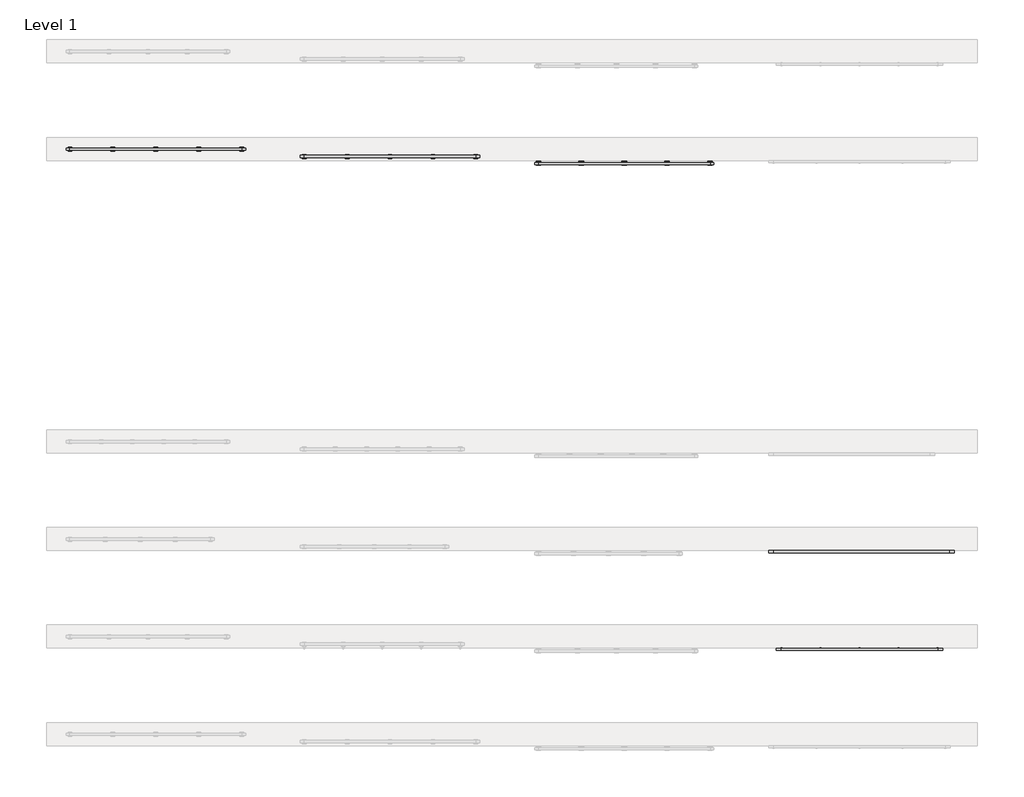
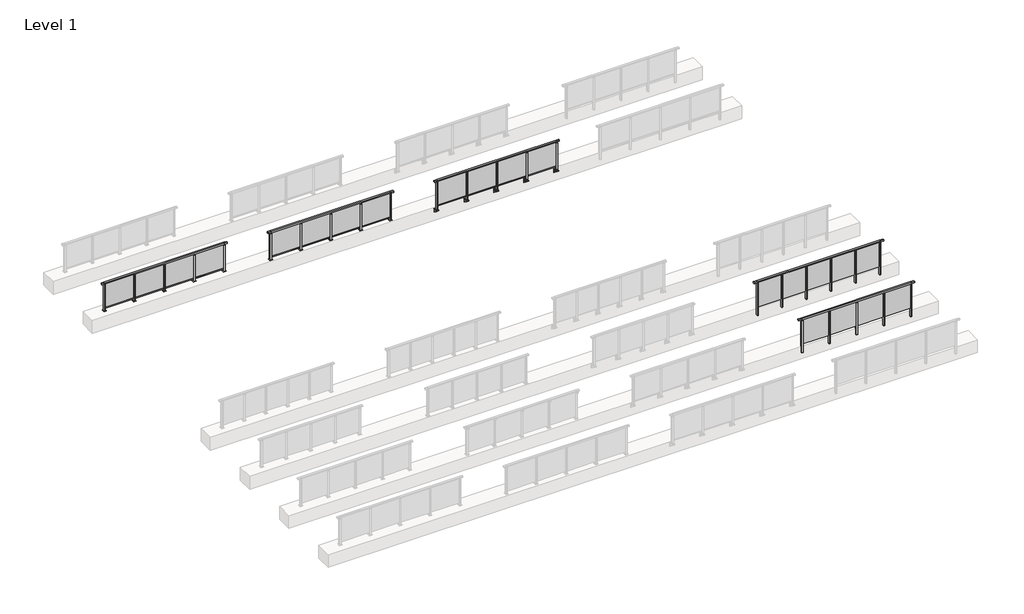
# One storey, part 21 of 37: 5 railings.
"""IFC4 building model written with IfcOpenShell, lengths in millimetres."""

from ifc_helpers import new_model, si_unit, point, frame, frame_2d, origin, origin_with_axes, place, context, project, spatial, polyline, circle_curve, trimmed, segment, composite_curve, outline, extrude, faceted_brep, element, save

model = new_model("IFC4")

# Units and contexts
model_context = context("Model", 3, world=origin())
ifc_project = project(units=[si_unit("LENGTHUNIT", "METRE", prefix="MILLI")], contexts=[model_context])

# Site, building, storey
site = spatial("IfcSite", under=ifc_project)
building = spatial("IfcBuilding", under=site)
storey = spatial("IfcBuildingStorey", under=building, Name="Level 1", Elevation=0.0)

# Railings
placement = place(None, origin())
element("IfcRailing", 1, at=placement, inside=storey, context=model_context, shape_type="SolidModel", body=[
    faceted_brep([(48227.0, 17397.6846828, 1055.0), (48227.0, 17397.6846828, 1100.0), (52227.0, 17397.6846828, 1100.0), (52227.0, 17397.6846828, 1055.0), (48227.0, 17337.6846828, 1055.0), (52227.0, 17337.6846828, 1055.0), (48227.0, 17337.6846828, 1100.0), (52227.0, 17337.6846828, 1100.0), (48099.5, 17397.6846828, 1100.0), (48099.5, 17397.6846828, 1055.0), (48099.5, 17337.6846828, 1055.0), (48099.5, 17337.6846828, 1100.0), (52354.5, 17397.6846828, 1100.0), (52354.5, 17337.6846828, 1100.0), (52354.5, 17337.6846828, 1055.0), (52354.5, 17397.6846828, 1055.0)], [[[0, 1, 2, 3]], [[4, 0, 3, 5]], [[6, 4, 5, 7]], [[1, 6, 7, 2]], [[8, 9, 10, 11]], [[9, 8, 1, 0]], [[10, 9, 0, 4]], [[11, 10, 4, 6]], [[8, 11, 6, 1]], [[12, 13, 14, 15]], [[3, 2, 12, 15]], [[5, 3, 15, 14]], [[7, 5, 14, 13]], [[2, 7, 13, 12]]]),
    extrude(outline(polyline([(51237.0, 17361.9094929), (51237.0, 17371.9094929), (52217.0, 17371.9094929), (52217.0, 17361.9094929), (51237.0, 17361.9094929)])), frame((0.0, 0.0, 95.0), z_axis=(0.0, 0.0, 1.0), x_axis=(1.0, 0.0, 0.0)), (0.0, 0.0, 1.0), 960.0),
    extrude(outline(polyline([(51249.5, 17400.1846828), (51249.5, 17335.1846828), (51204.5, 17335.1846828), (51204.5, 17400.1846828), (51249.5, 17400.1846828)])), frame((0.0, 0.0, 1027.0), z_axis=(0.0, 0.0, 1.0), x_axis=(1.0, 0.0, 0.0)), (0.0, 0.0, 1.0), 8.0),
    extrude(outline(polyline([(51249.5, 17400.1846828), (51249.5, 17335.1846828), (51204.5, 17335.1846828), (51204.5, 17400.1846828), (51249.5, 17400.1846828)])), frame((0.0, 0.0, -212.0), z_axis=(0.0, 0.0, 1.0), x_axis=(1.0, 0.0, 0.0)), (0.0, 0.0, 1.0), 1239.0),
    extrude(outline(polyline([(51237.0, 17377.6846828), (51237.0, 17357.6846828), (51217.0, 17357.6846828), (51217.0, 17377.6846828), (51237.0, 17377.6846828)])), frame((0.0, 0.0, 1035.0), z_axis=(0.0, 0.0, 1.0), x_axis=(1.0, 0.0, 0.0)), (0.0, 0.0, 1.0), 20.0),
    extrude(outline(polyline([(51249.5, 17400.1846828), (51249.5, 17335.1846828), (51204.5, 17335.1846828), (51204.5, 17400.1846828), (51249.5, 17400.1846828)])), frame((0.0, 0.0, -220.0), z_axis=(0.0, 0.0, 1.0), x_axis=(1.0, 0.0, 0.0)), (0.0, 0.0, 1.0), 8.0),
    extrude(outline(polyline([(50237.0, 17361.9094929), (50237.0, 17371.9094929), (51217.0, 17371.9094929), (51217.0, 17361.9094929), (50237.0, 17361.9094929)])), frame((0.0, 0.0, 95.0), z_axis=(0.0, 0.0, 1.0), x_axis=(1.0, 0.0, 0.0)), (0.0, 0.0, 1.0), 960.0),
    extrude(outline(polyline([(50249.5, 17400.1846828), (50249.5, 17335.1846828), (50204.5, 17335.1846828), (50204.5, 17400.1846828), (50249.5, 17400.1846828)])), frame((0.0, 0.0, 1027.0), z_axis=(0.0, 0.0, 1.0), x_axis=(1.0, 0.0, 0.0)), (0.0, 0.0, 1.0), 8.0),
    extrude(outline(polyline([(50249.5, 17400.1846828), (50249.5, 17335.1846828), (50204.5, 17335.1846828), (50204.5, 17400.1846828), (50249.5, 17400.1846828)])), frame((0.0, 0.0, -212.0), z_axis=(0.0, 0.0, 1.0), x_axis=(1.0, 0.0, 0.0)), (0.0, 0.0, 1.0), 1239.0),
    extrude(outline(polyline([(50237.0, 17377.6846828), (50237.0, 17357.6846828), (50217.0, 17357.6846828), (50217.0, 17377.6846828), (50237.0, 17377.6846828)])), frame((0.0, 0.0, 1035.0), z_axis=(0.0, 0.0, 1.0), x_axis=(1.0, 0.0, 0.0)), (0.0, 0.0, 1.0), 20.0),
    extrude(outline(polyline([(50249.5, 17400.1846828), (50249.5, 17335.1846828), (50204.5, 17335.1846828), (50204.5, 17400.1846828), (50249.5, 17400.1846828)])), frame((0.0, 0.0, -220.0), z_axis=(0.0, 0.0, 1.0), x_axis=(1.0, 0.0, 0.0)), (0.0, 0.0, 1.0), 8.0),
    extrude(outline(polyline([(49237.0, 17361.9094929), (49237.0, 17371.9094929), (50217.0, 17371.9094929), (50217.0, 17361.9094929), (49237.0, 17361.9094929)])), frame((0.0, 0.0, 95.0), z_axis=(0.0, 0.0, 1.0), x_axis=(1.0, 0.0, 0.0)), (0.0, 0.0, 1.0), 960.0),
    extrude(outline(polyline([(49249.5, 17400.1846828), (49249.5, 17335.1846828), (49204.5, 17335.1846828), (49204.5, 17400.1846828), (49249.5, 17400.1846828)])), frame((0.0, 0.0, 1027.0), z_axis=(0.0, 0.0, 1.0), x_axis=(1.0, 0.0, 0.0)), (0.0, 0.0, 1.0), 8.0),
    extrude(outline(polyline([(49249.5, 17400.1846828), (49249.5, 17335.1846828), (49204.5, 17335.1846828), (49204.5, 17400.1846828), (49249.5, 17400.1846828)])), frame((0.0, 0.0, -212.0), z_axis=(0.0, 0.0, 1.0), x_axis=(1.0, 0.0, 0.0)), (0.0, 0.0, 1.0), 1239.0),
    extrude(outline(polyline([(49237.0, 17377.6846828), (49237.0, 17357.6846828), (49217.0, 17357.6846828), (49217.0, 17377.6846828), (49237.0, 17377.6846828)])), frame((0.0, 0.0, 1035.0), z_axis=(0.0, 0.0, 1.0), x_axis=(1.0, 0.0, 0.0)), (0.0, 0.0, 1.0), 20.0),
    extrude(outline(polyline([(49249.5, 17400.1846828), (49249.5, 17335.1846828), (49204.5, 17335.1846828), (49204.5, 17400.1846828), (49249.5, 17400.1846828)])), frame((0.0, 0.0, -220.0), z_axis=(0.0, 0.0, 1.0), x_axis=(1.0, 0.0, 0.0)), (0.0, 0.0, 1.0), 8.0),
    extrude(outline(polyline([(48237.0, 17361.9094929), (48237.0, 17371.9094929), (49217.0, 17371.9094929), (49217.0, 17361.9094929), (48237.0, 17361.9094929)])), frame((0.0, 0.0, 95.0), z_axis=(0.0, 0.0, 1.0), x_axis=(1.0, 0.0, 0.0)), (0.0, 0.0, 1.0), 960.0),
    extrude(outline(polyline([(52249.5, 17400.1846828), (52249.5, 17335.1846828), (52204.5, 17335.1846828), (52204.5, 17400.1846828), (52249.5, 17400.1846828)])), frame((0.0, 0.0, 1027.0), z_axis=(0.0, 0.0, 1.0), x_axis=(1.0, 0.0, 0.0)), (0.0, 0.0, 1.0), 8.0),
    extrude(outline(polyline([(52249.5, 17400.1846828), (52249.5, 17335.1846828), (52204.5, 17335.1846828), (52204.5, 17400.1846828), (52249.5, 17400.1846828)])), frame((0.0, 0.0, -212.0), z_axis=(0.0, 0.0, 1.0), x_axis=(1.0, 0.0, 0.0)), (0.0, 0.0, 1.0), 1239.0),
    extrude(outline(polyline([(52237.0, 17377.6846828), (52237.0, 17357.6846828), (52217.0, 17357.6846828), (52217.0, 17377.6846828), (52237.0, 17377.6846828)])), frame((0.0, 0.0, 1035.0), z_axis=(0.0, 0.0, 1.0), x_axis=(1.0, 0.0, 0.0)), (0.0, 0.0, 1.0), 20.0),
    extrude(outline(polyline([(52249.5, 17400.1846828), (52249.5, 17335.1846828), (52204.5, 17335.1846828), (52204.5, 17400.1846828), (52249.5, 17400.1846828)])), frame((0.0, 0.0, -220.0), z_axis=(0.0, 0.0, 1.0), x_axis=(1.0, 0.0, 0.0)), (0.0, 0.0, 1.0), 8.0),
    extrude(outline(polyline([(48249.5, 17400.1846828), (48249.5, 17335.1846828), (48204.5, 17335.1846828), (48204.5, 17400.1846828), (48249.5, 17400.1846828)])), frame((0.0, 0.0, 1027.0), z_axis=(0.0, 0.0, 1.0), x_axis=(1.0, 0.0, 0.0)), (0.0, 0.0, 1.0), 8.0),
    extrude(outline(polyline([(48249.5, 17400.1846828), (48249.5, 17335.1846828), (48204.5, 17335.1846828), (48204.5, 17400.1846828), (48249.5, 17400.1846828)])), frame((0.0, 0.0, -212.0), z_axis=(0.0, 0.0, 1.0), x_axis=(1.0, 0.0, 0.0)), (0.0, 0.0, 1.0), 1239.0),
    extrude(outline(polyline([(48237.0, 17377.6846828), (48237.0, 17357.6846828), (48217.0, 17357.6846828), (48217.0, 17377.6846828), (48237.0, 17377.6846828)])), frame((0.0, 0.0, 1035.0), z_axis=(0.0, 0.0, 1.0), x_axis=(1.0, 0.0, 0.0)), (0.0, 0.0, 1.0), 20.0),
    extrude(outline(polyline([(48249.5, 17400.1846828), (48249.5, 17335.1846828), (48204.5, 17335.1846828), (48204.5, 17400.1846828), (48249.5, 17400.1846828)])), frame((0.0, 0.0, -220.0), z_axis=(0.0, 0.0, 1.0), x_axis=(1.0, 0.0, 0.0)), (0.0, 0.0, 1.0), 8.0),
])
element("IfcRailing", 2, at=placement, inside=storey, context=model_context, shape_type="SolidModel", body=[
    faceted_brep([(48027.0, 19897.6846828, 1055.0), (48027.0, 19897.6846828, 1100.0), (52527.0, 19897.6846828, 1100.0), (52527.0, 19897.6846828, 1055.0), (48027.0, 19837.6846828, 1055.0), (52527.0, 19837.6846828, 1055.0), (48027.0, 19837.6846828, 1100.0), (52527.0, 19837.6846828, 1100.0), (47899.5, 19897.6846828, 1100.0), (47899.5, 19897.6846828, 1055.0), (47899.5, 19837.6846828, 1055.0), (47899.5, 19837.6846828, 1100.0), (52654.5, 19897.6846828, 1100.0), (52654.5, 19837.6846828, 1100.0), (52654.5, 19837.6846828, 1055.0), (52654.5, 19897.6846828, 1055.0)], [[[0, 1, 2, 3]], [[4, 0, 3, 5]], [[6, 4, 5, 7]], [[1, 6, 7, 2]], [[8, 9, 10, 11]], [[9, 8, 1, 0]], [[10, 9, 0, 4]], [[11, 10, 4, 6]], [[8, 11, 6, 1]], [[12, 13, 14, 15]], [[3, 2, 12, 15]], [[5, 3, 15, 14]], [[7, 5, 14, 13]], [[2, 7, 13, 12]]]),
    extrude(outline(polyline([(51637.0, 19861.9094929), (51637.0, 19871.9094929), (52517.0, 19871.9094929), (52517.0, 19861.9094929), (51637.0, 19861.9094929)])), frame((0.0, 0.0, 95.0), z_axis=(0.0, 0.0, 1.0), x_axis=(1.0, 0.0, 0.0)), (0.0, 0.0, 1.0), 960.0),
    extrude(outline(polyline([(51649.5, 19900.1846828), (51649.5, 19835.1846828), (51604.5, 19835.1846828), (51604.5, 19900.1846828), (51649.5, 19900.1846828)])), frame((0.0, 0.0, 1027.0), z_axis=(0.0, 0.0, 1.0), x_axis=(1.0, 0.0, 0.0)), (0.0, 0.0, 1.0), 8.0),
    extrude(outline(polyline([(51649.5, 19900.1846828), (51649.5, 19835.1846828), (51604.5, 19835.1846828), (51604.5, 19900.1846828), (51649.5, 19900.1846828)])), frame((0.0, 0.0, -212.0), z_axis=(0.0, 0.0, 1.0), x_axis=(1.0, 0.0, 0.0)), (0.0, 0.0, 1.0), 1239.0),
    extrude(outline(polyline([(51637.0, 19877.6846828), (51637.0, 19857.6846828), (51617.0, 19857.6846828), (51617.0, 19877.6846828), (51637.0, 19877.6846828)])), frame((0.0, 0.0, 1035.0), z_axis=(0.0, 0.0, 1.0), x_axis=(1.0, 0.0, 0.0)), (0.0, 0.0, 1.0), 20.0),
    extrude(outline(polyline([(51649.5, 19900.1846828), (51649.5, 19835.1846828), (51604.5, 19835.1846828), (51604.5, 19900.1846828), (51649.5, 19900.1846828)])), frame((0.0, 0.0, -220.0), z_axis=(0.0, 0.0, 1.0), x_axis=(1.0, 0.0, 0.0)), (0.0, 0.0, 1.0), 8.0),
    extrude(outline(polyline([(50737.0, 19861.9094929), (50737.0, 19871.9094929), (51617.0, 19871.9094929), (51617.0, 19861.9094929), (50737.0, 19861.9094929)])), frame((0.0, 0.0, 95.0), z_axis=(0.0, 0.0, 1.0), x_axis=(1.0, 0.0, 0.0)), (0.0, 0.0, 1.0), 960.0),
    extrude(outline(polyline([(50749.5, 19900.1846828), (50749.5, 19835.1846828), (50704.5, 19835.1846828), (50704.5, 19900.1846828), (50749.5, 19900.1846828)])), frame((0.0, 0.0, 1027.0), z_axis=(0.0, 0.0, 1.0), x_axis=(1.0, 0.0, 0.0)), (0.0, 0.0, 1.0), 8.0),
    extrude(outline(polyline([(50749.5, 19900.1846828), (50749.5, 19835.1846828), (50704.5, 19835.1846828), (50704.5, 19900.1846828), (50749.5, 19900.1846828)])), frame((0.0, 0.0, -212.0), z_axis=(0.0, 0.0, 1.0), x_axis=(1.0, 0.0, 0.0)), (0.0, 0.0, 1.0), 1239.0),
    extrude(outline(polyline([(50737.0, 19877.6846828), (50737.0, 19857.6846828), (50717.0, 19857.6846828), (50717.0, 19877.6846828), (50737.0, 19877.6846828)])), frame((0.0, 0.0, 1035.0), z_axis=(0.0, 0.0, 1.0), x_axis=(1.0, 0.0, 0.0)), (0.0, 0.0, 1.0), 20.0),
    extrude(outline(polyline([(50749.5, 19900.1846828), (50749.5, 19835.1846828), (50704.5, 19835.1846828), (50704.5, 19900.1846828), (50749.5, 19900.1846828)])), frame((0.0, 0.0, -220.0), z_axis=(0.0, 0.0, 1.0), x_axis=(1.0, 0.0, 0.0)), (0.0, 0.0, 1.0), 8.0),
    extrude(outline(polyline([(49837.0, 19861.9094929), (49837.0, 19871.9094929), (50717.0, 19871.9094929), (50717.0, 19861.9094929), (49837.0, 19861.9094929)])), frame((0.0, 0.0, 95.0), z_axis=(0.0, 0.0, 1.0), x_axis=(1.0, 0.0, 0.0)), (0.0, 0.0, 1.0), 960.0),
    extrude(outline(polyline([(49849.5, 19900.1846828), (49849.5, 19835.1846828), (49804.5, 19835.1846828), (49804.5, 19900.1846828), (49849.5, 19900.1846828)])), frame((0.0, 0.0, 1027.0), z_axis=(0.0, 0.0, 1.0), x_axis=(1.0, 0.0, 0.0)), (0.0, 0.0, 1.0), 8.0),
    extrude(outline(polyline([(49849.5, 19900.1846828), (49849.5, 19835.1846828), (49804.5, 19835.1846828), (49804.5, 19900.1846828), (49849.5, 19900.1846828)])), frame((0.0, 0.0, -212.0), z_axis=(0.0, 0.0, 1.0), x_axis=(1.0, 0.0, 0.0)), (0.0, 0.0, 1.0), 1239.0),
    extrude(outline(polyline([(49837.0, 19877.6846828), (49837.0, 19857.6846828), (49817.0, 19857.6846828), (49817.0, 19877.6846828), (49837.0, 19877.6846828)])), frame((0.0, 0.0, 1035.0), z_axis=(0.0, 0.0, 1.0), x_axis=(1.0, 0.0, 0.0)), (0.0, 0.0, 1.0), 20.0),
    extrude(outline(polyline([(49849.5, 19900.1846828), (49849.5, 19835.1846828), (49804.5, 19835.1846828), (49804.5, 19900.1846828), (49849.5, 19900.1846828)])), frame((0.0, 0.0, -220.0), z_axis=(0.0, 0.0, 1.0), x_axis=(1.0, 0.0, 0.0)), (0.0, 0.0, 1.0), 8.0),
    extrude(outline(polyline([(48937.0, 19861.9094929), (48937.0, 19871.9094929), (49817.0, 19871.9094929), (49817.0, 19861.9094929), (48937.0, 19861.9094929)])), frame((0.0, 0.0, 95.0), z_axis=(0.0, 0.0, 1.0), x_axis=(1.0, 0.0, 0.0)), (0.0, 0.0, 1.0), 960.0),
    extrude(outline(polyline([(48949.5, 19900.1846828), (48949.5, 19835.1846828), (48904.5, 19835.1846828), (48904.5, 19900.1846828), (48949.5, 19900.1846828)])), frame((0.0, 0.0, 1027.0), z_axis=(0.0, 0.0, 1.0), x_axis=(1.0, 0.0, 0.0)), (0.0, 0.0, 1.0), 8.0),
    extrude(outline(polyline([(48949.5, 19900.1846828), (48949.5, 19835.1846828), (48904.5, 19835.1846828), (48904.5, 19900.1846828), (48949.5, 19900.1846828)])), frame((0.0, 0.0, -212.0), z_axis=(0.0, 0.0, 1.0), x_axis=(1.0, 0.0, 0.0)), (0.0, 0.0, 1.0), 1239.0),
    extrude(outline(polyline([(48937.0, 19877.6846828), (48937.0, 19857.6846828), (48917.0, 19857.6846828), (48917.0, 19877.6846828), (48937.0, 19877.6846828)])), frame((0.0, 0.0, 1035.0), z_axis=(0.0, 0.0, 1.0), x_axis=(1.0, 0.0, 0.0)), (0.0, 0.0, 1.0), 20.0),
    extrude(outline(polyline([(48949.5, 19900.1846828), (48949.5, 19835.1846828), (48904.5, 19835.1846828), (48904.5, 19900.1846828), (48949.5, 19900.1846828)])), frame((0.0, 0.0, -220.0), z_axis=(0.0, 0.0, 1.0), x_axis=(1.0, 0.0, 0.0)), (0.0, 0.0, 1.0), 8.0),
    extrude(outline(polyline([(48037.0, 19861.9094929), (48037.0, 19871.9094929), (48917.0, 19871.9094929), (48917.0, 19861.9094929), (48037.0, 19861.9094929)])), frame((0.0, 0.0, 95.0), z_axis=(0.0, 0.0, 1.0), x_axis=(1.0, 0.0, 0.0)), (0.0, 0.0, 1.0), 960.0),
    extrude(outline(polyline([(52549.5, 19900.1846828), (52549.5, 19835.1846828), (52504.5, 19835.1846828), (52504.5, 19900.1846828), (52549.5, 19900.1846828)])), frame((0.0, 0.0, 1027.0), z_axis=(0.0, 0.0, 1.0), x_axis=(1.0, 0.0, 0.0)), (0.0, 0.0, 1.0), 8.0),
    extrude(outline(polyline([(52549.5, 19900.1846828), (52549.5, 19835.1846828), (52504.5, 19835.1846828), (52504.5, 19900.1846828), (52549.5, 19900.1846828)])), frame((0.0, 0.0, -212.0), z_axis=(0.0, 0.0, 1.0), x_axis=(1.0, 0.0, 0.0)), (0.0, 0.0, 1.0), 1239.0),
    extrude(outline(polyline([(52537.0, 19877.6846828), (52537.0, 19857.6846828), (52517.0, 19857.6846828), (52517.0, 19877.6846828), (52537.0, 19877.6846828)])), frame((0.0, 0.0, 1035.0), z_axis=(0.0, 0.0, 1.0), x_axis=(1.0, 0.0, 0.0)), (0.0, 0.0, 1.0), 20.0),
    extrude(outline(polyline([(52549.5, 19900.1846828), (52549.5, 19835.1846828), (52504.5, 19835.1846828), (52504.5, 19900.1846828), (52549.5, 19900.1846828)])), frame((0.0, 0.0, -220.0), z_axis=(0.0, 0.0, 1.0), x_axis=(1.0, 0.0, 0.0)), (0.0, 0.0, 1.0), 8.0),
    extrude(outline(polyline([(48049.5, 19900.1846828), (48049.5, 19835.1846828), (48004.5, 19835.1846828), (48004.5, 19900.1846828), (48049.5, 19900.1846828)])), frame((0.0, 0.0, 1027.0), z_axis=(0.0, 0.0, 1.0), x_axis=(1.0, 0.0, 0.0)), (0.0, 0.0, 1.0), 8.0),
    extrude(outline(polyline([(48049.5, 19900.1846828), (48049.5, 19835.1846828), (48004.5, 19835.1846828), (48004.5, 19900.1846828), (48049.5, 19900.1846828)])), frame((0.0, 0.0, -212.0), z_axis=(0.0, 0.0, 1.0), x_axis=(1.0, 0.0, 0.0)), (0.0, 0.0, 1.0), 1239.0),
    extrude(outline(polyline([(48037.0, 19877.6846828), (48037.0, 19857.6846828), (48017.0, 19857.6846828), (48017.0, 19877.6846828), (48037.0, 19877.6846828)])), frame((0.0, 0.0, 1035.0), z_axis=(0.0, 0.0, 1.0), x_axis=(1.0, 0.0, 0.0)), (0.0, 0.0, 1.0), 20.0),
    extrude(outline(polyline([(48049.5, 19900.1846828), (48049.5, 19835.1846828), (48004.5, 19835.1846828), (48004.5, 19900.1846828), (48049.5, 19900.1846828)])), frame((0.0, 0.0, -220.0), z_axis=(0.0, 0.0, 1.0), x_axis=(1.0, 0.0, 0.0)), (0.0, 0.0, 1.0), 8.0),
])
element("IfcRailing", 3, at=placement, inside=storey, context=model_context, shape_type="SolidModel", body=[
    faceted_brep([(30000.0, 30220.1846828, 1055.0), (30000.0, 30220.1846828, 1100.0), (34400.0, 30220.1846828, 1100.0), (34400.0, 30220.1846828, 1055.0), (30000.0, 30160.1846828, 1055.0), (34400.0, 30160.1846828, 1055.0), (30000.0, 30160.1846828, 1100.0), (34400.0, 30160.1846828, 1100.0), (29900.0, 30220.1846828, 1100.0), (29900.0, 30220.1846828, 1055.0), (29900.0, 30160.1846828, 1055.0), (29900.0, 30160.1846828, 1100.0), (34500.0, 30220.1846828, 1100.0), (34500.0, 30160.1846828, 1100.0), (34500.0, 30160.1846828, 1055.0), (34500.0, 30220.1846828, 1055.0)], [[[0, 1, 2, 3]], [[4, 0, 3, 5]], [[6, 4, 5, 7]], [[1, 6, 7, 2]], [[8, 9, 10, 11]], [[9, 8, 1, 0]], [[10, 9, 0, 4]], [[11, 10, 4, 6]], [[8, 11, 6, 1]], [[12, 13, 14, 15]], [[3, 2, 12, 15]], [[5, 3, 15, 14]], [[7, 5, 14, 13]], [[2, 7, 13, 12]]]),
    extrude(outline(polyline([(30000.0, 30172.6846828), (30000.0, 30207.6846828), (34400.0, 30207.6846828), (34400.0, 30172.6846828), (30000.0, 30172.6846828)])), frame((0.0, 0.0, 95.0), z_axis=(0.0, 0.0, 1.0), x_axis=(1.0, 0.0, 0.0)), (0.0, 0.0, 1.0), 30.0),
    extrude(outline(polyline([(33310.0, 30195.9598727), (34390.0, 30195.9598727), (34390.0, 30185.9598727), (33310.0, 30185.9598727), (33310.0, 30195.9598727)])), frame((0.0, 0.0, 125.0), z_axis=(0.0, 0.0, 1.0), x_axis=(1.0, 0.0, 0.0)), (0.0, 0.0, 1.0), 930.0),
    extrude(outline(polyline([(33310.0, 30180.1846828), (33290.0, 30180.1846828), (33290.0, 30200.1846828), (33310.0, 30200.1846828), (33310.0, 30180.1846828)])), frame((0.0, 0.0, 1035.0), z_axis=(0.0, 0.0, 1.0), x_axis=(1.0, 0.0, 0.0)), (0.0, 0.0, 1.0), 20.0),
    extrude(outline(polyline([(33322.5, 30157.6846828), (33277.5, 30157.6846828), (33277.5, 30222.6846828), (33322.5, 30222.6846828), (33322.5, 30157.6846828)])), frame((0.0, 0.0, 1027.0), z_axis=(0.0, 0.0, 1.0), x_axis=(1.0, 0.0, 0.0)), (0.0, 0.0, 1.0), 8.0),
    extrude(outline(polyline([(33350.0, 30140.1846828), (33250.0, 30140.1846828), (33250.0, 30240.1846828), (33350.0, 30240.1846828), (33350.0, 30140.1846828)])), origin_with_axes(), (0.0, 0.0, 1.0), 12.0),
    extrude(outline(polyline([(33322.5, 30157.6846828), (33277.5, 30157.6846828), (33277.5, 30222.6846828), (33322.5, 30222.6846828), (33322.5, 30157.6846828)])), frame((0.0, 0.0, 12.0), z_axis=(0.0, 0.0, 1.0), x_axis=(1.0, 0.0, 0.0)), (0.0, 0.0, 1.0), 1015.0),
    extrude(outline(polyline([(32210.0, 30195.9598727), (33290.0, 30195.9598727), (33290.0, 30185.9598727), (32210.0, 30185.9598727), (32210.0, 30195.9598727)])), frame((0.0, 0.0, 125.0), z_axis=(0.0, 0.0, 1.0), x_axis=(1.0, 0.0, 0.0)), (0.0, 0.0, 1.0), 930.0),
    extrude(outline(polyline([(32210.0, 30180.1846828), (32190.0, 30180.1846828), (32190.0, 30200.1846828), (32210.0, 30200.1846828), (32210.0, 30180.1846828)])), frame((0.0, 0.0, 1035.0), z_axis=(0.0, 0.0, 1.0), x_axis=(1.0, 0.0, 0.0)), (0.0, 0.0, 1.0), 20.0),
    extrude(outline(polyline([(32222.5, 30157.6846828), (32177.5, 30157.6846828), (32177.5, 30222.6846828), (32222.5, 30222.6846828), (32222.5, 30157.6846828)])), frame((0.0, 0.0, 1027.0), z_axis=(0.0, 0.0, 1.0), x_axis=(1.0, 0.0, 0.0)), (0.0, 0.0, 1.0), 8.0),
    extrude(outline(polyline([(32250.0, 30140.1846828), (32150.0, 30140.1846828), (32150.0, 30240.1846828), (32250.0, 30240.1846828), (32250.0, 30140.1846828)])), origin_with_axes(), (0.0, 0.0, 1.0), 12.0),
    extrude(outline(polyline([(32222.5, 30157.6846828), (32177.5, 30157.6846828), (32177.5, 30222.6846828), (32222.5, 30222.6846828), (32222.5, 30157.6846828)])), frame((0.0, 0.0, 12.0), z_axis=(0.0, 0.0, 1.0), x_axis=(1.0, 0.0, 0.0)), (0.0, 0.0, 1.0), 1015.0),
    extrude(outline(polyline([(31110.0, 30195.9598727), (32190.0, 30195.9598727), (32190.0, 30185.9598727), (31110.0, 30185.9598727), (31110.0, 30195.9598727)])), frame((0.0, 0.0, 125.0), z_axis=(0.0, 0.0, 1.0), x_axis=(1.0, 0.0, 0.0)), (0.0, 0.0, 1.0), 930.0),
    extrude(outline(polyline([(31110.0, 30180.1846828), (31090.0, 30180.1846828), (31090.0, 30200.1846828), (31110.0, 30200.1846828), (31110.0, 30180.1846828)])), frame((0.0, 0.0, 1035.0), z_axis=(0.0, 0.0, 1.0), x_axis=(1.0, 0.0, 0.0)), (0.0, 0.0, 1.0), 20.0),
    extrude(outline(polyline([(31122.5, 30157.6846828), (31077.5, 30157.6846828), (31077.5, 30222.6846828), (31122.5, 30222.6846828), (31122.5, 30157.6846828)])), frame((0.0, 0.0, 1027.0), z_axis=(0.0, 0.0, 1.0), x_axis=(1.0, 0.0, 0.0)), (0.0, 0.0, 1.0), 8.0),
    extrude(outline(polyline([(31150.0, 30140.1846828), (31050.0, 30140.1846828), (31050.0, 30240.1846828), (31150.0, 30240.1846828), (31150.0, 30140.1846828)])), origin_with_axes(), (0.0, 0.0, 1.0), 12.0),
    extrude(outline(polyline([(31122.5, 30157.6846828), (31077.5, 30157.6846828), (31077.5, 30222.6846828), (31122.5, 30222.6846828), (31122.5, 30157.6846828)])), frame((0.0, 0.0, 12.0), z_axis=(0.0, 0.0, 1.0), x_axis=(1.0, 0.0, 0.0)), (0.0, 0.0, 1.0), 1015.0),
    extrude(outline(polyline([(30010.0, 30195.9598727), (31090.0, 30195.9598727), (31090.0, 30185.9598727), (30010.0, 30185.9598727), (30010.0, 30195.9598727)])), frame((0.0, 0.0, 125.0), z_axis=(0.0, 0.0, 1.0), x_axis=(1.0, 0.0, 0.0)), (0.0, 0.0, 1.0), 930.0),
    extrude(outline(polyline([(34410.0, 30180.1846828), (34390.0, 30180.1846828), (34390.0, 30200.1846828), (34410.0, 30200.1846828), (34410.0, 30180.1846828)])), frame((0.0, 0.0, 1035.0), z_axis=(0.0, 0.0, 1.0), x_axis=(1.0, 0.0, 0.0)), (0.0, 0.0, 1.0), 20.0),
    extrude(outline(polyline([(34422.5, 30157.6846828), (34377.5, 30157.6846828), (34377.5, 30222.6846828), (34422.5, 30222.6846828), (34422.5, 30157.6846828)])), frame((0.0, 0.0, 1027.0), z_axis=(0.0, 0.0, 1.0), x_axis=(1.0, 0.0, 0.0)), (0.0, 0.0, 1.0), 8.0),
    extrude(outline(polyline([(34450.0, 30140.1846828), (34350.0, 30140.1846828), (34350.0, 30240.1846828), (34450.0, 30240.1846828), (34450.0, 30140.1846828)])), origin_with_axes(), (0.0, 0.0, 1.0), 12.0),
    extrude(outline(polyline([(34422.5, 30157.6846828), (34377.5, 30157.6846828), (34377.5, 30222.6846828), (34422.5, 30222.6846828), (34422.5, 30157.6846828)])), frame((0.0, 0.0, 12.0), z_axis=(0.0, 0.0, 1.0), x_axis=(1.0, 0.0, 0.0)), (0.0, 0.0, 1.0), 1015.0),
    extrude(outline(polyline([(30010.0, 30180.1846828), (29990.0, 30180.1846828), (29990.0, 30200.1846828), (30010.0, 30200.1846828), (30010.0, 30180.1846828)])), frame((0.0, 0.0, 1035.0), z_axis=(0.0, 0.0, 1.0), x_axis=(1.0, 0.0, 0.0)), (0.0, 0.0, 1.0), 20.0),
    extrude(outline(polyline([(30022.5, 30157.6846828), (29977.5, 30157.6846828), (29977.5, 30222.6846828), (30022.5, 30222.6846828), (30022.5, 30157.6846828)])), frame((0.0, 0.0, 1027.0), z_axis=(0.0, 0.0, 1.0), x_axis=(1.0, 0.0, 0.0)), (0.0, 0.0, 1.0), 8.0),
    extrude(outline(polyline([(30050.0, 30140.1846828), (29950.0, 30140.1846828), (29950.0, 30240.1846828), (30050.0, 30240.1846828), (30050.0, 30140.1846828)])), origin_with_axes(), (0.0, 0.0, 1.0), 12.0),
    extrude(outline(polyline([(30022.5, 30157.6846828), (29977.5, 30157.6846828), (29977.5, 30222.6846828), (30022.5, 30222.6846828), (30022.5, 30157.6846828)])), frame((0.0, 0.0, 12.0), z_axis=(0.0, 0.0, 1.0), x_axis=(1.0, 0.0, 0.0)), (0.0, 0.0, 1.0), 1015.0),
])
element("IfcRailing", 4, at=placement, inside=storey, context=model_context, shape_type="SolidModel", body=[
    faceted_brep([(41910.0, 29847.6846828, 1100.0), (41910.0, 29847.6846828, 1055.0), (41910.0, 29787.6846828, 1055.0), (41910.0, 29787.6846828, 1100.0), (42000.0, 29847.6846828, 1100.0), (42000.0, 29847.6846828, 1055.0), (42000.0, 29787.6846828, 1055.0), (42000.0, 29787.6846828, 1100.0), (46400.0, 29847.6846828, 1100.0), (46400.0, 29847.6846828, 1055.0), (46400.0, 29787.6846828, 1055.0), (46400.0, 29787.6846828, 1100.0), (46490.0, 29847.6846828, 1100.0), (46490.0, 29787.6846828, 1100.0), (46490.0, 29787.6846828, 1055.0), (46490.0, 29847.6846828, 1055.0)], [[[0, 1, 2, 3]], [[1, 0, 4, 5]], [[2, 1, 5, 6]], [[3, 2, 6, 7]], [[0, 3, 7, 4]], [[5, 4, 8, 9]], [[6, 5, 9, 10]], [[7, 6, 10, 11]], [[4, 7, 11, 8]], [[12, 13, 14, 15]], [[9, 8, 12, 15]], [[10, 9, 15, 14]], [[11, 10, 14, 13]], [[8, 11, 13, 12]]]),
    extrude(outline(polyline([(42000.0, 29800.1846828), (42000.0, 29835.1846828), (46400.0, 29835.1846828), (46400.0, 29800.1846828), (42000.0, 29800.1846828)])), frame((0.0, 0.0, 95.0), z_axis=(0.0, 0.0, 1.0), x_axis=(1.0, 0.0, 0.0)), (0.0, 0.0, 1.0), 30.0),
    extrude(outline(polyline([(45310.0, 29811.9094929), (45310.0, 29821.9094929), (46390.0, 29821.9094929), (46390.0, 29811.9094929), (45310.0, 29811.9094929)])), frame((0.0, 0.0, 125.0), z_axis=(0.0, 0.0, 1.0), x_axis=(1.0, 0.0, 0.0)), (0.0, 0.0, 1.0), 930.0),
    extrude(outline(composite_curve([segment(polyline([(29850.1846828, -70.0), (29884.1846828, -63.0), (29884.1846828, -32.5), (29900.1846828, -32.5), (29900.1846828, -167.5), (29884.1846828, -167.5), (29884.1846828, -113.5)]), True, "CONTINUOUS"), segment(trimmed(circle_curve(frame_2d((29864.1846828, -113.5)), 20.0), [point((29884.1846828, -113.5))], [point((29864.1846828, -93.5))], True, "CARTESIAN"), True, "CONTINUOUS"), segment(polyline([(29864.1846828, -93.5), (29780.1846828, -93.5), (29780.1846828, -70.0), (29850.1846828, -70.0)]), True, "CONTINUOUS")], self_intersect=False)), frame((45240.0, 0.0, 0.0), z_axis=(1.0, 0.0, 0.0), x_axis=(0.0, 1.0, 0.0)), (0.0, 0.0, 1.0), 120.0),
    extrude(outline(polyline([(45322.5, 29850.1846828), (45322.5, 29785.1846828), (45277.5, 29785.1846828), (45277.5, 29850.1846828), (45322.5, 29850.1846828)])), frame((0.0, 0.0, -70.0), z_axis=(0.0, 0.0, 1.0), x_axis=(1.0, 0.0, 0.0)), (0.0, 0.0, 1.0), 1097.0),
    extrude(outline(polyline([(45310.0, 29827.6846828), (45310.0, 29807.6846828), (45290.0, 29807.6846828), (45290.0, 29827.6846828), (45310.0, 29827.6846828)])), frame((0.0, 0.0, 1035.0), z_axis=(0.0, 0.0, 1.0), x_axis=(1.0, 0.0, 0.0)), (0.0, 0.0, 1.0), 20.0),
    extrude(outline(polyline([(45322.5, 29850.1846828), (45322.5, 29785.1846828), (45277.5, 29785.1846828), (45277.5, 29850.1846828), (45322.5, 29850.1846828)])), frame((0.0, 0.0, 1027.0), z_axis=(0.0, 0.0, 1.0), x_axis=(1.0, 0.0, 0.0)), (0.0, 0.0, 1.0), 8.0),
    extrude(outline(polyline([(44210.0, 29811.9094929), (44210.0, 29821.9094929), (45290.0, 29821.9094929), (45290.0, 29811.9094929), (44210.0, 29811.9094929)])), frame((0.0, 0.0, 125.0), z_axis=(0.0, 0.0, 1.0), x_axis=(1.0, 0.0, 0.0)), (0.0, 0.0, 1.0), 930.0),
    extrude(outline(composite_curve([segment(polyline([(29850.1846828, -70.0), (29884.1846828, -63.0), (29884.1846828, -32.5), (29900.1846828, -32.5), (29900.1846828, -167.5), (29884.1846828, -167.5), (29884.1846828, -113.5)]), True, "CONTINUOUS"), segment(trimmed(circle_curve(frame_2d((29864.1846828, -113.5)), 20.0), [point((29884.1846828, -113.5))], [point((29864.1846828, -93.5))], True, "CARTESIAN"), True, "CONTINUOUS"), segment(polyline([(29864.1846828, -93.5), (29780.1846828, -93.5), (29780.1846828, -70.0), (29850.1846828, -70.0)]), True, "CONTINUOUS")], self_intersect=False)), frame((44140.0, 0.0, 0.0), z_axis=(1.0, 0.0, 0.0), x_axis=(0.0, 1.0, 0.0)), (0.0, 0.0, 1.0), 120.0),
    extrude(outline(polyline([(44222.5, 29850.1846828), (44222.5, 29785.1846828), (44177.5, 29785.1846828), (44177.5, 29850.1846828), (44222.5, 29850.1846828)])), frame((0.0, 0.0, -70.0), z_axis=(0.0, 0.0, 1.0), x_axis=(1.0, 0.0, 0.0)), (0.0, 0.0, 1.0), 1097.0),
    extrude(outline(polyline([(44210.0, 29827.6846828), (44210.0, 29807.6846828), (44190.0, 29807.6846828), (44190.0, 29827.6846828), (44210.0, 29827.6846828)])), frame((0.0, 0.0, 1035.0), z_axis=(0.0, 0.0, 1.0), x_axis=(1.0, 0.0, 0.0)), (0.0, 0.0, 1.0), 20.0),
    extrude(outline(polyline([(44222.5, 29850.1846828), (44222.5, 29785.1846828), (44177.5, 29785.1846828), (44177.5, 29850.1846828), (44222.5, 29850.1846828)])), frame((0.0, 0.0, 1027.0), z_axis=(0.0, 0.0, 1.0), x_axis=(1.0, 0.0, 0.0)), (0.0, 0.0, 1.0), 8.0),
    extrude(outline(polyline([(43110.0, 29811.9094929), (43110.0, 29821.9094929), (44190.0, 29821.9094929), (44190.0, 29811.9094929), (43110.0, 29811.9094929)])), frame((0.0, 0.0, 125.0), z_axis=(0.0, 0.0, 1.0), x_axis=(1.0, 0.0, 0.0)), (0.0, 0.0, 1.0), 930.0),
    extrude(outline(composite_curve([segment(polyline([(29850.1846828, -70.0), (29884.1846828, -63.0), (29884.1846828, -32.5), (29900.1846828, -32.5), (29900.1846828, -167.5), (29884.1846828, -167.5), (29884.1846828, -113.5)]), True, "CONTINUOUS"), segment(trimmed(circle_curve(frame_2d((29864.1846828, -113.5)), 20.0), [point((29884.1846828, -113.5))], [point((29864.1846828, -93.5))], True, "CARTESIAN"), True, "CONTINUOUS"), segment(polyline([(29864.1846828, -93.5), (29780.1846828, -93.5), (29780.1846828, -70.0), (29850.1846828, -70.0)]), True, "CONTINUOUS")], self_intersect=False)), frame((43040.0, 0.0, 0.0), z_axis=(1.0, 0.0, 0.0), x_axis=(0.0, 1.0, 0.0)), (0.0, 0.0, 1.0), 120.0),
    extrude(outline(polyline([(43122.5, 29850.1846828), (43122.5, 29785.1846828), (43077.5, 29785.1846828), (43077.5, 29850.1846828), (43122.5, 29850.1846828)])), frame((0.0, 0.0, -70.0), z_axis=(0.0, 0.0, 1.0), x_axis=(1.0, 0.0, 0.0)), (0.0, 0.0, 1.0), 1097.0),
    extrude(outline(polyline([(43110.0, 29827.6846828), (43110.0, 29807.6846828), (43090.0, 29807.6846828), (43090.0, 29827.6846828), (43110.0, 29827.6846828)])), frame((0.0, 0.0, 1035.0), z_axis=(0.0, 0.0, 1.0), x_axis=(1.0, 0.0, 0.0)), (0.0, 0.0, 1.0), 20.0),
    extrude(outline(polyline([(43122.5, 29850.1846828), (43122.5, 29785.1846828), (43077.5, 29785.1846828), (43077.5, 29850.1846828), (43122.5, 29850.1846828)])), frame((0.0, 0.0, 1027.0), z_axis=(0.0, 0.0, 1.0), x_axis=(1.0, 0.0, 0.0)), (0.0, 0.0, 1.0), 8.0),
    extrude(outline(polyline([(42010.0, 29811.9094929), (42010.0, 29821.9094929), (43090.0, 29821.9094929), (43090.0, 29811.9094929), (42010.0, 29811.9094929)])), frame((0.0, 0.0, 125.0), z_axis=(0.0, 0.0, 1.0), x_axis=(1.0, 0.0, 0.0)), (0.0, 0.0, 1.0), 930.0),
    extrude(outline(composite_curve([segment(polyline([(29850.1846828, -70.0), (29884.1846828, -63.0), (29884.1846828, -32.5), (29900.1846828, -32.5), (29900.1846828, -167.5), (29884.1846828, -167.5), (29884.1846828, -113.5)]), True, "CONTINUOUS"), segment(trimmed(circle_curve(frame_2d((29864.1846828, -113.5)), 20.0), [point((29884.1846828, -113.5))], [point((29864.1846828, -93.5))], True, "CARTESIAN"), True, "CONTINUOUS"), segment(polyline([(29864.1846828, -93.5), (29780.1846828, -93.5), (29780.1846828, -70.0), (29850.1846828, -70.0)]), True, "CONTINUOUS")], self_intersect=False)), frame((46340.0, 0.0, 0.0), z_axis=(1.0, 0.0, 0.0), x_axis=(0.0, 1.0, 0.0)), (0.0, 0.0, 1.0), 120.0),
    extrude(outline(polyline([(46422.5, 29850.1846828), (46422.5, 29785.1846828), (46377.5, 29785.1846828), (46377.5, 29850.1846828), (46422.5, 29850.1846828)])), frame((0.0, 0.0, -70.0), z_axis=(0.0, 0.0, 1.0), x_axis=(1.0, 0.0, 0.0)), (0.0, 0.0, 1.0), 1097.0),
    extrude(outline(polyline([(46410.0, 29827.6846828), (46410.0, 29807.6846828), (46390.0, 29807.6846828), (46390.0, 29827.6846828), (46410.0, 29827.6846828)])), frame((0.0, 0.0, 1035.0), z_axis=(0.0, 0.0, 1.0), x_axis=(1.0, 0.0, 0.0)), (0.0, 0.0, 1.0), 20.0),
    extrude(outline(polyline([(46422.5, 29850.1846828), (46422.5, 29785.1846828), (46377.5, 29785.1846828), (46377.5, 29850.1846828), (46422.5, 29850.1846828)])), frame((0.0, 0.0, 1027.0), z_axis=(0.0, 0.0, 1.0), x_axis=(1.0, 0.0, 0.0)), (0.0, 0.0, 1.0), 8.0),
    extrude(outline(composite_curve([segment(polyline([(29850.1846828, -70.0), (29884.1846828, -63.0), (29884.1846828, -32.5), (29900.1846828, -32.5), (29900.1846828, -167.5), (29884.1846828, -167.5), (29884.1846828, -113.5)]), True, "CONTINUOUS"), segment(trimmed(circle_curve(frame_2d((29864.1846828, -113.5)), 20.0), [point((29884.1846828, -113.5))], [point((29864.1846828, -93.5))], True, "CARTESIAN"), True, "CONTINUOUS"), segment(polyline([(29864.1846828, -93.5), (29780.1846828, -93.5), (29780.1846828, -70.0), (29850.1846828, -70.0)]), True, "CONTINUOUS")], self_intersect=False)), frame((41940.0, 0.0, 0.0), z_axis=(1.0, 0.0, 0.0), x_axis=(0.0, 1.0, 0.0)), (0.0, 0.0, 1.0), 120.0),
    extrude(outline(polyline([(42022.5, 29850.1846828), (42022.5, 29785.1846828), (41977.5, 29785.1846828), (41977.5, 29850.1846828), (42022.5, 29850.1846828)])), frame((0.0, 0.0, -70.0), z_axis=(0.0, 0.0, 1.0), x_axis=(1.0, 0.0, 0.0)), (0.0, 0.0, 1.0), 1097.0),
    extrude(outline(polyline([(42010.0, 29827.6846828), (42010.0, 29807.6846828), (41990.0, 29807.6846828), (41990.0, 29827.6846828), (42010.0, 29827.6846828)])), frame((0.0, 0.0, 1035.0), z_axis=(0.0, 0.0, 1.0), x_axis=(1.0, 0.0, 0.0)), (0.0, 0.0, 1.0), 20.0),
    extrude(outline(polyline([(42022.5, 29850.1846828), (42022.5, 29785.1846828), (41977.5, 29785.1846828), (41977.5, 29850.1846828), (42022.5, 29850.1846828)])), frame((0.0, 0.0, 1027.0), z_axis=(0.0, 0.0, 1.0), x_axis=(1.0, 0.0, 0.0)), (0.0, 0.0, 1.0), 8.0),
])
element("IfcRailing", 5, at=placement, inside=storey, context=model_context, shape_type="SolidModel", body=[
    faceted_brep([(36000.0, 30030.1846828, 1055.0), (36000.0, 30030.1846828, 1100.0), (40400.0, 30030.1846828, 1100.0), (40400.0, 30030.1846828, 1055.0), (36000.0, 29970.1846828, 1055.0), (40400.0, 29970.1846828, 1055.0), (36000.0, 29970.1846828, 1100.0), (40400.0, 29970.1846828, 1100.0), (35900.0, 30030.1846828, 1100.0), (35900.0, 30030.1846828, 1055.0), (35900.0, 29970.1846828, 1055.0), (35900.0, 29970.1846828, 1100.0), (40500.0, 30030.1846828, 1100.0), (40500.0, 29970.1846828, 1100.0), (40500.0, 29970.1846828, 1055.0), (40500.0, 30030.1846828, 1055.0)], [[[0, 1, 2, 3]], [[4, 0, 3, 5]], [[6, 4, 5, 7]], [[1, 6, 7, 2]], [[8, 9, 10, 11]], [[9, 8, 1, 0]], [[10, 9, 0, 4]], [[11, 10, 4, 6]], [[8, 11, 6, 1]], [[12, 13, 14, 15]], [[3, 2, 12, 15]], [[5, 3, 15, 14]], [[7, 5, 14, 13]], [[2, 7, 13, 12]]]),
    extrude(outline(polyline([(36000.0, 29982.6846828), (36000.0, 30017.6846828), (40400.0, 30017.6846828), (40400.0, 29982.6846828), (36000.0, 29982.6846828)])), frame((0.0, 0.0, 95.0), z_axis=(0.0, 0.0, 1.0), x_axis=(1.0, 0.0, 0.0)), (0.0, 0.0, 1.0), 30.0),
    extrude(outline(polyline([(39310.0, 30005.9598727), (40390.0, 30005.9598727), (40390.0, 29995.9598727), (39310.0, 29995.9598727), (39310.0, 30005.9598727)])), frame((0.0, 0.0, 125.0), z_axis=(0.0, 0.0, 1.0), x_axis=(1.0, 0.0, 0.0)), (0.0, 0.0, 1.0), 930.0),
    extrude(outline(polyline([(39310.0, 29990.1846828), (39290.0, 29990.1846828), (39290.0, 30010.1846828), (39310.0, 30010.1846828), (39310.0, 29990.1846828)])), frame((0.0, 0.0, 1035.0), z_axis=(0.0, 0.0, 1.0), x_axis=(1.0, 0.0, 0.0)), (0.0, 0.0, 1.0), 20.0),
    extrude(outline(polyline([(39322.5, 29967.6846828), (39277.5, 29967.6846828), (39277.5, 30032.6846828), (39322.5, 30032.6846828), (39322.5, 29967.6846828)])), frame((0.0, 0.0, 1027.0), z_axis=(0.0, 0.0, 1.0), x_axis=(1.0, 0.0, 0.0)), (0.0, 0.0, 1.0), 8.0),
    extrude(outline(polyline([(39350.0, 29950.1846828), (39250.0, 29950.1846828), (39250.0, 30050.1846828), (39350.0, 30050.1846828), (39350.0, 29950.1846828)])), origin_with_axes(), (0.0, 0.0, 1.0), 12.0),
    extrude(outline(polyline([(39322.5, 29967.6846828), (39277.5, 29967.6846828), (39277.5, 30032.6846828), (39322.5, 30032.6846828), (39322.5, 29967.6846828)])), frame((0.0, 0.0, 12.0), z_axis=(0.0, 0.0, 1.0), x_axis=(1.0, 0.0, 0.0)), (0.0, 0.0, 1.0), 1015.0),
    extrude(outline(polyline([(38210.0, 30005.9598727), (39290.0, 30005.9598727), (39290.0, 29995.9598727), (38210.0, 29995.9598727), (38210.0, 30005.9598727)])), frame((0.0, 0.0, 125.0), z_axis=(0.0, 0.0, 1.0), x_axis=(1.0, 0.0, 0.0)), (0.0, 0.0, 1.0), 930.0),
    extrude(outline(polyline([(38210.0, 29990.1846828), (38190.0, 29990.1846828), (38190.0, 30010.1846828), (38210.0, 30010.1846828), (38210.0, 29990.1846828)])), frame((0.0, 0.0, 1035.0), z_axis=(0.0, 0.0, 1.0), x_axis=(1.0, 0.0, 0.0)), (0.0, 0.0, 1.0), 20.0),
    extrude(outline(polyline([(38222.5, 29967.6846828), (38177.5, 29967.6846828), (38177.5, 30032.6846828), (38222.5, 30032.6846828), (38222.5, 29967.6846828)])), frame((0.0, 0.0, 1027.0), z_axis=(0.0, 0.0, 1.0), x_axis=(1.0, 0.0, 0.0)), (0.0, 0.0, 1.0), 8.0),
    extrude(outline(polyline([(38250.0, 29950.1846828), (38150.0, 29950.1846828), (38150.0, 30050.1846828), (38250.0, 30050.1846828), (38250.0, 29950.1846828)])), origin_with_axes(), (0.0, 0.0, 1.0), 12.0),
    extrude(outline(polyline([(38222.5, 29967.6846828), (38177.5, 29967.6846828), (38177.5, 30032.6846828), (38222.5, 30032.6846828), (38222.5, 29967.6846828)])), frame((0.0, 0.0, 12.0), z_axis=(0.0, 0.0, 1.0), x_axis=(1.0, 0.0, 0.0)), (0.0, 0.0, 1.0), 1015.0),
    extrude(outline(polyline([(37110.0, 30005.9598727), (38190.0, 30005.9598727), (38190.0, 29995.9598727), (37110.0, 29995.9598727), (37110.0, 30005.9598727)])), frame((0.0, 0.0, 125.0), z_axis=(0.0, 0.0, 1.0), x_axis=(1.0, 0.0, 0.0)), (0.0, 0.0, 1.0), 930.0),
    extrude(outline(polyline([(37110.0, 29990.1846828), (37090.0, 29990.1846828), (37090.0, 30010.1846828), (37110.0, 30010.1846828), (37110.0, 29990.1846828)])), frame((0.0, 0.0, 1035.0), z_axis=(0.0, 0.0, 1.0), x_axis=(1.0, 0.0, 0.0)), (0.0, 0.0, 1.0), 20.0),
    extrude(outline(polyline([(37122.5, 29967.6846828), (37077.5, 29967.6846828), (37077.5, 30032.6846828), (37122.5, 30032.6846828), (37122.5, 29967.6846828)])), frame((0.0, 0.0, 1027.0), z_axis=(0.0, 0.0, 1.0), x_axis=(1.0, 0.0, 0.0)), (0.0, 0.0, 1.0), 8.0),
    extrude(outline(polyline([(37150.0, 29950.1846828), (37050.0, 29950.1846828), (37050.0, 30050.1846828), (37150.0, 30050.1846828), (37150.0, 29950.1846828)])), origin_with_axes(), (0.0, 0.0, 1.0), 12.0),
    extrude(outline(polyline([(37122.5, 29967.6846828), (37077.5, 29967.6846828), (37077.5, 30032.6846828), (37122.5, 30032.6846828), (37122.5, 29967.6846828)])), frame((0.0, 0.0, 12.0), z_axis=(0.0, 0.0, 1.0), x_axis=(1.0, 0.0, 0.0)), (0.0, 0.0, 1.0), 1015.0),
    extrude(outline(polyline([(36010.0, 30005.9598727), (37090.0, 30005.9598727), (37090.0, 29995.9598727), (36010.0, 29995.9598727), (36010.0, 30005.9598727)])), frame((0.0, 0.0, 125.0), z_axis=(0.0, 0.0, 1.0), x_axis=(1.0, 0.0, 0.0)), (0.0, 0.0, 1.0), 930.0),
    extrude(outline(polyline([(40410.0, 29990.1846828), (40390.0, 29990.1846828), (40390.0, 30010.1846828), (40410.0, 30010.1846828), (40410.0, 29990.1846828)])), frame((0.0, 0.0, 1035.0), z_axis=(0.0, 0.0, 1.0), x_axis=(1.0, 0.0, 0.0)), (0.0, 0.0, 1.0), 20.0),
    extrude(outline(polyline([(40422.5, 29967.6846828), (40377.5, 29967.6846828), (40377.5, 30032.6846828), (40422.5, 30032.6846828), (40422.5, 29967.6846828)])), frame((0.0, 0.0, 1027.0), z_axis=(0.0, 0.0, 1.0), x_axis=(1.0, 0.0, 0.0)), (0.0, 0.0, 1.0), 8.0),
    extrude(outline(polyline([(40450.0, 29950.1846828), (40350.0, 29950.1846828), (40350.0, 30050.1846828), (40450.0, 30050.1846828), (40450.0, 29950.1846828)])), origin_with_axes(), (0.0, 0.0, 1.0), 12.0),
    extrude(outline(polyline([(40422.5, 29967.6846828), (40377.5, 29967.6846828), (40377.5, 30032.6846828), (40422.5, 30032.6846828), (40422.5, 29967.6846828)])), frame((0.0, 0.0, 12.0), z_axis=(0.0, 0.0, 1.0), x_axis=(1.0, 0.0, 0.0)), (0.0, 0.0, 1.0), 1015.0),
    extrude(outline(polyline([(36010.0, 29990.1846828), (35990.0, 29990.1846828), (35990.0, 30010.1846828), (36010.0, 30010.1846828), (36010.0, 29990.1846828)])), frame((0.0, 0.0, 1035.0), z_axis=(0.0, 0.0, 1.0), x_axis=(1.0, 0.0, 0.0)), (0.0, 0.0, 1.0), 20.0),
    extrude(outline(polyline([(36022.5, 29967.6846828), (35977.5, 29967.6846828), (35977.5, 30032.6846828), (36022.5, 30032.6846828), (36022.5, 29967.6846828)])), frame((0.0, 0.0, 1027.0), z_axis=(0.0, 0.0, 1.0), x_axis=(1.0, 0.0, 0.0)), (0.0, 0.0, 1.0), 8.0),
    extrude(outline(polyline([(36050.0, 29950.1846828), (35950.0, 29950.1846828), (35950.0, 30050.1846828), (36050.0, 30050.1846828), (36050.0, 29950.1846828)])), origin_with_axes(), (0.0, 0.0, 1.0), 12.0),
    extrude(outline(polyline([(36022.5, 29967.6846828), (35977.5, 29967.6846828), (35977.5, 30032.6846828), (36022.5, 30032.6846828), (36022.5, 29967.6846828)])), frame((0.0, 0.0, 12.0), z_axis=(0.0, 0.0, 1.0), x_axis=(1.0, 0.0, 0.0)), (0.0, 0.0, 1.0), 1015.0),
])

save(model, "model.ifc")
